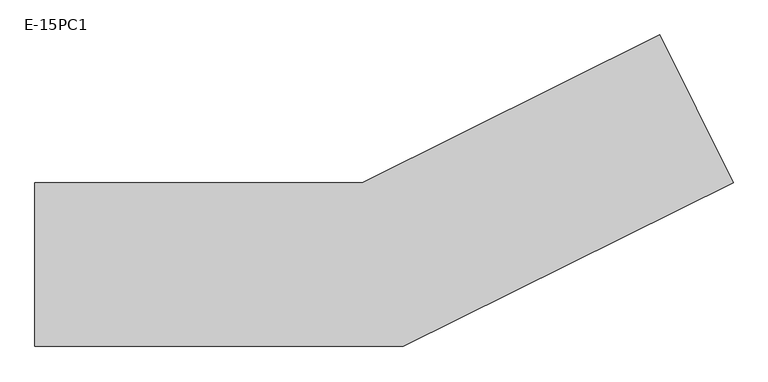
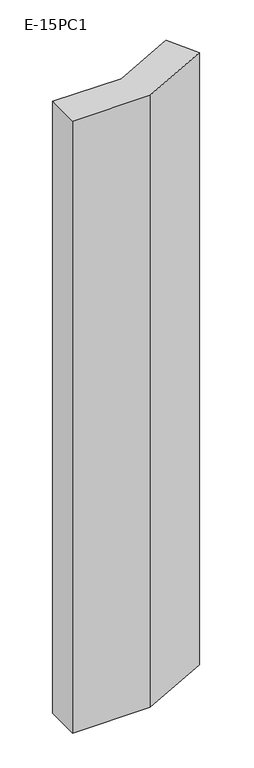
"""IFC4 building model written with IfcOpenShell, lengths in millimetres: column geometry, E-15PC1."""

import ifcopenshell
import ifcopenshell.guid

model = None  # the IFC model being written
_history = None  # IfcOwnerHistory: only IFC2X3 demands one
_inside = {}  # id of a spatial element -> (the spatial element, [elements in it])
_under = {}  # id of a project, library or spatial element -> (it, [spatial elements below it])
_declared = {}  # id of a project -> (the project, [libraries it declares])
_typed = {}  # id of a type object -> (the type object, [elements of that type])
_made_of = {}  # id of a material, layer set ... -> (it, [elements and type objects made of it])


def new_model(schema):
    """Start an empty IFC model of exactly this schema.

    Asked for "IFC4X3", IfcOpenShell would pick the latest addendum, in which some entities
    have other attributes; the version numbers below select the first issue.
    IFC2X3 requires an IfcOwnerHistory on every rooted entity: one is made here for all.
    """
    global model, _history
    if schema == "IFC4X3":
        model = ifcopenshell.file(schema_version=(4, 3, 0, 0))
    else:
        model = ifcopenshell.file(schema=schema)
    _inside.clear()
    _under.clear()
    _declared.clear()
    _typed.clear()
    _made_of.clear()
    _history = None
    if model.schema == "IFC2X3":
        org = make("IfcOrganization", Name="unknown")
        user = make(
            "IfcPersonAndOrganization",
            ThePerson=make("IfcPerson", FamilyName="unknown"),
            TheOrganization=org,
        )
        app = make(
            "IfcApplication",
            ApplicationDeveloper=org,
            Version="unknown",
            ApplicationFullName="unknown",
            ApplicationIdentifier="unknown",
        )
        _history = make(
            "IfcOwnerHistory",
            OwningUser=user,
            OwningApplication=app,
            ChangeAction="ADDED",
            CreationDate=0,
        )
    return model


def make(cls, **values):
    """One entity of the class cls with the attributes given. An attribute that is None is left unset."""
    return model.create_entity(
        cls, **{name: value for name, value in values.items() if value is not None}
    )


def rooted(cls, **values):
    """An entity with a GlobalId (a new one), such as an element, a storey or a relation."""
    return make(cls, GlobalId=ifcopenshell.guid.new(), OwnerHistory=_history, **values)


def si_unit(unit_type, name, prefix=None):
    """IfcSIUnit, for example si_unit("LENGTHUNIT", "METRE", prefix="MILLI")."""
    return make("IfcSIUnit", UnitType=unit_type, Prefix=prefix, Name=name)


def assignment(units):
    """IfcUnitAssignment: the units of a project."""
    return None if units is None else make("IfcUnitAssignment", Units=units)


def point(xyz):
    """IfcCartesianPoint."""
    return None if xyz is None else make("IfcCartesianPoint", Coordinates=xyz)


def direction(xyz):
    """IfcDirection."""
    return None if xyz is None else make("IfcDirection", DirectionRatios=xyz)


def frame(location, z_axis=None, x_axis=None):
    """IfcAxis2Placement3D, a coordinate frame: its origin and axes. An axis left out is left unset."""
    return make(
        "IfcAxis2Placement3D",
        Location=point(location),
        Axis=direction(z_axis),
        RefDirection=direction(x_axis),
    )


def origin():
    """The frame at (0, 0, 0) with its axes left unset."""
    return frame((0.0, 0.0, 0.0))


def place(relative_to, where):
    """IfcLocalPlacement: puts the frame where relative to a parent placement (None: the world)."""
    return make(
        "IfcLocalPlacement", PlacementRelTo=relative_to, RelativePlacement=where
    )


def context(
    kind, dimensions, precision=None, world=None, true_north=None, identifier=None
):
    """IfcGeometricRepresentationContext, for example the 3D "Model" context."""
    return make(
        "IfcGeometricRepresentationContext",
        ContextIdentifier=identifier,
        ContextType=kind,
        CoordinateSpaceDimension=dimensions,
        Precision=precision,
        WorldCoordinateSystem=world,
        TrueNorth=true_north,
    )


def project(units=None, contexts=None):
    """IfcProject with its units and contexts."""
    return rooted(
        "IfcProject",
        Name="project",
        RepresentationContexts=contexts,
        UnitsInContext=assignment(units),
    )


def spatial(cls, under=None, at=None, **own):
    """A site, building, storey or space (cls), placed at a placement, below another one or the project."""
    s = rooted(cls, ObjectPlacement=at, **own)
    if under is not None:
        _under.setdefault(under.id(), (under, []))[1].append(s)
    return s


def polyline(points):
    """IfcPolyline through the points."""
    return make("IfcPolyline", Points=[point(p) for p in points])


def outline(outer, holes=None, kind="AREA"):
    """IfcArbitraryClosedProfileDef: a profile drawn as a closed curve; with holes, ...WithVoids."""
    if holes is None:
        return make("IfcArbitraryClosedProfileDef", ProfileType=kind, OuterCurve=outer)
    return make(
        "IfcArbitraryProfileDefWithVoids",
        ProfileType=kind,
        OuterCurve=outer,
        InnerCurves=holes,
    )


def extrude(swept, where, along, depth):
    """IfcExtrudedAreaSolid: the profile swept, set in the frame where, extruded along a direction by depth."""
    return make(
        "IfcExtrudedAreaSolid",
        SweptArea=swept,
        Position=where,
        ExtrudedDirection=direction(along),
        Depth=depth,
    )


def shape(context_of_items, identifier, shape_type, items):
    """IfcShapeRepresentation: the items that make up one representation, for example the "Body"."""
    return make(
        "IfcShapeRepresentation",
        ContextOfItems=context_of_items,
        RepresentationIdentifier=identifier,
        RepresentationType=shape_type,
        Items=items,
    )


def source(mapping_origin, context_of_items, identifier, shape_type, items):
    """IfcRepresentationMap: a shape defined once, which mapped items show again and again."""
    return make(
        "IfcRepresentationMap",
        MappingOrigin=mapping_origin,
        MappedRepresentation=shape(context_of_items, identifier, shape_type, items),
    )


def transform(
    local_origin,
    x_axis=None,
    y_axis=None,
    z_axis=None,
    scale=None,
    scale2=None,
    scale3=None,
    uniform=True,
):
    """IfcCartesianTransformationOperator3D, or its non-uniform kind. x_axis, y_axis, z_axis: its Axis1, 2, 3."""
    if uniform:
        return make(
            "IfcCartesianTransformationOperator3D",
            Axis1=direction(x_axis),
            Axis2=direction(y_axis),
            LocalOrigin=point(local_origin),
            Scale=scale,
            Axis3=direction(z_axis),
        )
    return make(
        "IfcCartesianTransformationOperator3DnonUniform",
        Axis1=direction(x_axis),
        Axis2=direction(y_axis),
        LocalOrigin=point(local_origin),
        Scale=scale,
        Axis3=direction(z_axis),
        Scale2=scale2,
        Scale3=scale3,
    )


def mapped(mapping_source, mapping_target):
    """IfcMappedItem: shows the shape of a source again, moved by a transform."""
    return make(
        "IfcMappedItem", MappingSource=mapping_source, MappingTarget=mapping_target
    )


def made_of(thing, what):
    """Note that an element or type object is made of a material, layer set ...; save() writes the relation."""
    if what is not None:
        _made_of.setdefault(what.id(), (what, []))[1].append(thing)
    return thing


def element(
    cls,
    number,
    at=None,
    inside=None,
    cuts=None,
    type_object=None,
    material=None,
    context=None,
    identifier="Body",
    shape_type=None,
    held_by="IfcProductDefinitionShape",
    body=None,
    shapes=None,
    **own,
):
    """One element of the class cls, such as IfcWall. Its Tag is "e" and its number.

    at: its placement. inside: the storey or other place that contains it. cuts: it is an
    opening in that element (IfcRelVoidsElement). A single representation is given by context,
    identifier, shape_type and body (its items); several are given by shapes. held_by: the class
    of the entity that holds the representations. save() writes the other relations.
    """
    e = rooted(cls, Tag="e%d" % number, ObjectPlacement=at, **own)
    if body is not None:
        shapes = [shape(context, identifier, shape_type, body)]
    if shapes is not None:
        e.Representation = make(held_by, Representations=shapes)
    if inside is not None:
        _inside.setdefault(inside.id(), (inside, []))[1].append(e)
    if cuts is not None:
        rooted(
            "IfcRelVoidsElement", RelatingBuildingElement=cuts, RelatedOpeningElement=e
        )
    if type_object is not None:
        _typed.setdefault(type_object.id(), (type_object, []))[1].append(e)
    return made_of(e, material)


def aggregate(whole, parts):
    """IfcRelAggregates: a whole, such as a stair, and the parts it consists of."""
    return rooted("IfcRelAggregates", RelatingObject=whole, RelatedObjects=parts)


def save(model, path):
    """Write the relations noted so far, then the file.

    IfcRelAggregates (storeys below a building ...), IfcRelContainedInSpatialStructure (elements
    in a storey), IfcRelDefinesByType, IfcRelAssociatesMaterial and IfcRelDeclares: one each for
    every whole, place, type object, material and project.
    """
    for whole, parts in _under.values():
        aggregate(whole, parts)
    for where, things in _inside.values():
        rooted(
            "IfcRelContainedInSpatialStructure",
            RelatedElements=things,
            RelatingStructure=where,
        )
    for kind, things in _typed.values():
        rooted("IfcRelDefinesByType", RelatedObjects=things, RelatingType=kind)
    for what, things in _made_of.values():
        rooted("IfcRelAssociatesMaterial", RelatedObjects=things, RelatingMaterial=what)
    for by, libraries in _declared.values():
        rooted("IfcRelDeclares", RelatingContext=by, RelatedDefinitions=libraries)
    model.write(path)


def e_15pc1_1f16d8d1(model_context):
    return source(origin(), model_context, "Body", "SweptSolid", [
        extrude(outline(polyline([(-670.0, 0.0), (-670.0, 298.0), (-74.4245178, 298.0), (466.5528942, 566.685448), (600.0, 298.0), (0.0, 0.0), (-670.0, 0.0)])), frame((0.0, 0.0, 26000.0), z_axis=(0.0, 0.0, 1.0), x_axis=(1.0, 0.0, 0.0)), (0.0, 0.0, 1.0), 5600.0),
    ])


if __name__ == "__main__":
    model = new_model("IFC4")
    model_context = context("Model", 3, world=origin())
    ifc_project = project(units=[si_unit("LENGTHUNIT", "METRE", prefix="MILLI")], contexts=[model_context])
    site = spatial("IfcSite", under=ifc_project)
    building = spatial("IfcBuilding", under=site)
    placement = place(None, origin())
    e_15pc1_shape = e_15pc1_1f16d8d1(model_context)
    element("IfcColumn", 1, ObjectType="E-15PC1", at=placement, inside=building, context=model_context, shape_type="MappedRepresentation", body=[
        mapped(e_15pc1_shape, transform((0.0, 0.0, 0.0), x_axis=(1.0, 0.0, 0.0), y_axis=(0.0, 1.0, 0.0), z_axis=(0.0, 0.0, 1.0))),
    ])
    save(model, "model.ifc")
